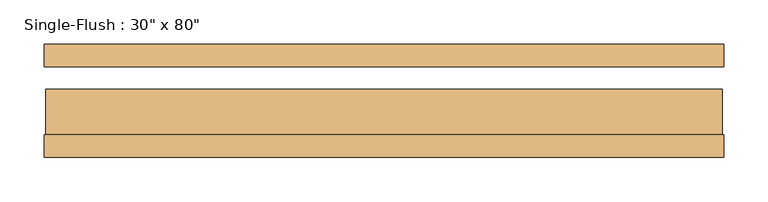
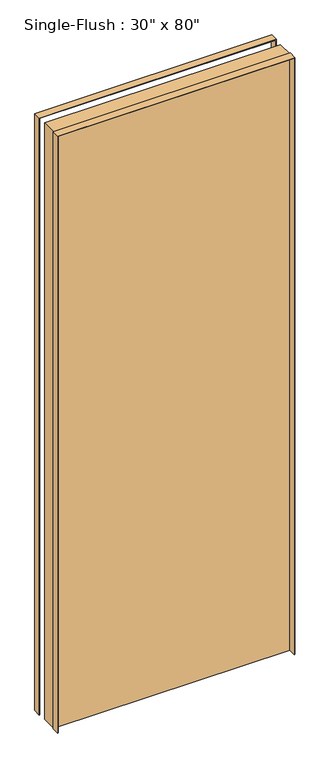
"""IFC4 building model written with IfcOpenShell, lengths in millimetres: door geometry."""

from ifc_helpers import new_model, si_unit, frame, origin, origin_with_axes, place, context, project, spatial, polyline, outline, extrude, source, transform, mapped, element, save


def door_59f0687b(model_context):
    return source(origin(), model_context, "Body", "SweptSolid", [
        extrude(outline(polyline([(2033.5875, -382.5875), (0.0, -382.5875), (0.0, -381.0), (2032.0, -381.0), (2032.0, 381.0), (0.0, 381.0), (0.0, 382.5875), (2033.5875, 382.5875), (2033.5875, -382.5875)])), frame((0.0, -63.5, 0.0), z_axis=(0.0, 1.0, 0.0), x_axis=(0.0, 0.0, 1.0)), (0.0, 0.0, 1.0), 25.4),
        extrude(outline(polyline([(2033.5875, 382.5875), (2033.5875, -382.5875), (0.0, -382.5875), (0.0, -381.0), (2032.0, -381.0), (2032.0, 381.0), (0.0, 381.0), (0.0, 382.5875), (2033.5875, 382.5875)])), frame((0.0, 38.1, 0.0), z_axis=(0.0, 1.0, 0.0), x_axis=(0.0, 0.0, 1.0)), (0.0, 0.0, 1.0), 25.4),
        extrude(outline(polyline([(381.0, 12.7), (381.0, -38.1), (-381.0, -38.1), (-381.0, 12.7), (381.0, 12.7)])), origin_with_axes(), (0.0, 0.0, 1.0), 2032.0),
    ])


if __name__ == "__main__":
    model = new_model("IFC4")
    model_context = context("Model", 3, world=origin())
    ifc_project = project(units=[si_unit("LENGTHUNIT", "METRE", prefix="MILLI")], contexts=[model_context])
    site = spatial("IfcSite", under=ifc_project)
    building = spatial("IfcBuilding", under=site)
    placement = place(None, origin())
    door_shape = door_59f0687b(model_context)
    element("IfcDoor", 1, ObjectType="Single-Flush : 30\" x 80\"", at=placement, inside=building, context=model_context, shape_type="MappedRepresentation", body=[
        mapped(door_shape, transform((0.0, 0.0, 0.0), x_axis=(1.0, 0.0, 0.0), y_axis=(0.0, 1.0, 0.0), z_axis=(0.0, 0.0, 1.0))),
    ])
    save(model, "model.ifc")
